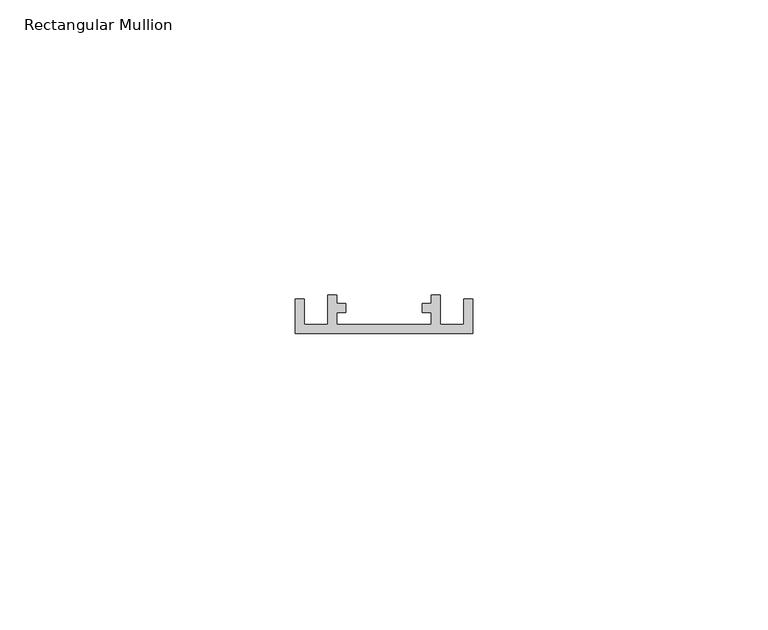
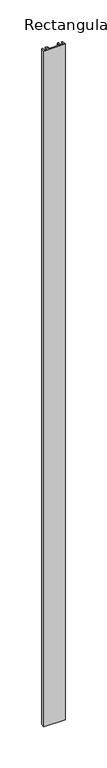
"""IFC4 building model written with IfcOpenShell, lengths in millimetres: member geometry, Rectangular Mullion."""

from ifc_helpers import new_model, si_unit, frame, origin, place, context, project, spatial, polyline, outline, extrude, source, transform, mapped, element, save


def rectangular_mullion_abf58975(model_context):
    return source(origin(), model_context, "Body", "SweptSolid", [
        extrude(outline(polyline([(-1.5, 5.8660254), (0.0, 5.8660254), (0.0, 0.0), (-30.0, 0.0), (-30.0, 5.8660254), (-28.5, 5.8660254), (-28.5, 1.5), (-24.5, 1.5), (-24.5, 6.5), (-23.0, 6.5), (-23.0, 5.05), (-21.5, 5.05), (-21.5, 3.55), (-23.0, 3.55), (-23.0, 1.5), (-7.0, 1.5), (-7.0, 3.55), (-8.5, 3.55), (-8.5, 5.05), (-7.0, 5.05), (-7.0, 6.5), (-5.5, 6.5), (-5.5, 1.5), (-1.5, 1.5), (-1.5, 5.8660254)])), frame((0.0, 0.0, -1000.0), z_axis=(0.0, 0.0, 1.0), x_axis=(1.0, 0.0, 0.0)), (0.0, 0.0, 1.0), 1000.0),
    ])


if __name__ == "__main__":
    model = new_model("IFC4")
    model_context = context("Model", 3, world=origin())
    ifc_project = project(units=[si_unit("LENGTHUNIT", "METRE", prefix="MILLI")], contexts=[model_context])
    site = spatial("IfcSite", under=ifc_project)
    building = spatial("IfcBuilding", under=site)
    placement = place(None, origin())
    rectangular_mullion_shape = rectangular_mullion_abf58975(model_context)
    element("IfcMember", 1, ObjectType="Rectangular Mullion", at=placement, inside=building, context=model_context, shape_type="MappedRepresentation", body=[
        mapped(rectangular_mullion_shape, transform((0.0, 0.0, 0.0), x_axis=(1.0, 0.0, 0.0), y_axis=(0.0, 1.0, 0.0), z_axis=(0.0, 0.0, 1.0))),
    ])
    save(model, "model.ifc")
